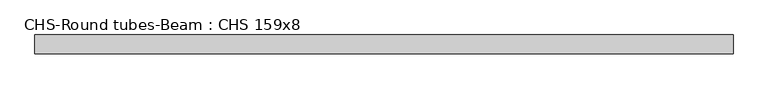
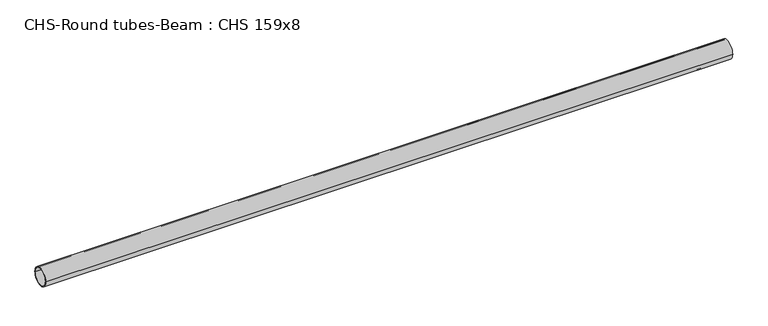
"""IFC4 building model written with IfcOpenShell, lengths in millimetres: beam geometry, CHS-Round tubes-Beam : CHS 159x8."""

from ifc_helpers import new_model, si_unit, point, frame, origin, origin_2d, place, context, project, spatial, circle_curve, trimmed, segment, composite_curve, outline, extrude, source, transform, mapped, element, save


def chs_round_tubes_beam_chs_159x8_e6abd827(model_context):
    return source(origin(), model_context, "Body", "SweptSolid", [
        extrude(outline(composite_curve([segment(trimmed(circle_curve(origin_2d(), 79.5), [point((79.5, 0.0))], [point((-79.5, 0.0))], False, "CARTESIAN"), True, "CONTINUOUS"), segment(trimmed(circle_curve(origin_2d(), 79.5), [point((-79.5, 0.0))], [point((79.5, 0.0))], False, "CARTESIAN"), True, "CONTINUOUS")], self_intersect=False), holes=[composite_curve([segment(trimmed(circle_curve(origin_2d(), 71.5), [point((71.5, 0.0))], [point((-71.5, 0.0))], True, "CARTESIAN"), True, "CONTINUOUS"), segment(trimmed(circle_curve(origin_2d(), 71.5), [point((-71.5, 0.0))], [point((71.5, 0.0))], True, "CARTESIAN"), True, "CONTINUOUS")], self_intersect=False)]), frame((-2942.9940778, 0.0, 0.0), z_axis=(1.0, 0.0, 0.0), x_axis=(0.0, 1.0, 0.0)), (0.0, 0.0, 1.0), 5885.9881556),
    ])


if __name__ == "__main__":
    model = new_model("IFC4")
    model_context = context("Model", 3, world=origin())
    ifc_project = project(units=[si_unit("LENGTHUNIT", "METRE", prefix="MILLI")], contexts=[model_context])
    site = spatial("IfcSite", under=ifc_project)
    building = spatial("IfcBuilding", under=site)
    placement = place(None, origin())
    chs_round_tubes_beam_chs_159x8_shape = chs_round_tubes_beam_chs_159x8_e6abd827(model_context)
    element("IfcBeam", 1, ObjectType="CHS-Round tubes-Beam : CHS 159x8", at=placement, inside=building, context=model_context, shape_type="MappedRepresentation", body=[
        mapped(chs_round_tubes_beam_chs_159x8_shape, transform((0.0, 0.0, 0.0), x_axis=(1.0, 0.0, 0.0), y_axis=(0.0, 1.0, 0.0), z_axis=(0.0, 0.0, 1.0))),
    ])
    save(model, "model.ifc")
